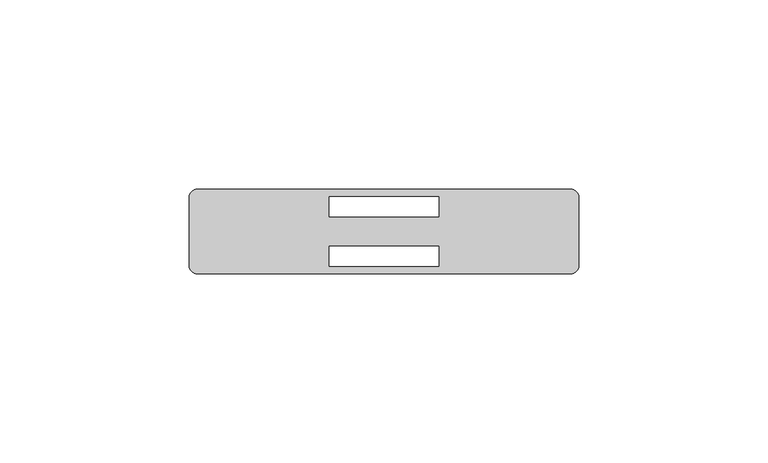
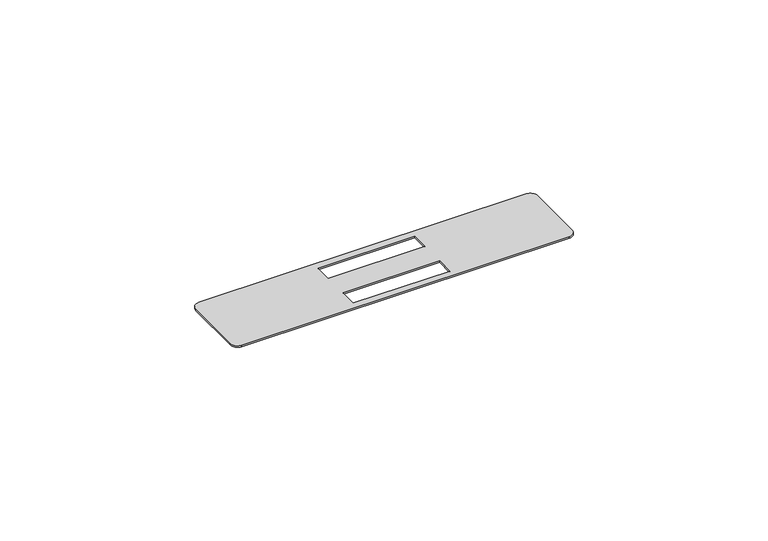
"""IFC4 building model written with IfcOpenShell, lengths in millimetres: proxy geometry."""

from ifc_helpers import new_model, si_unit, point, frame, frame_2d, origin, place, context, project, spatial, polyline, circle_curve, trimmed, segment, composite_curve, outline, extrude, source, transform, mapped, element, save


def generic_models_baaa5da6(model_context):
    return source(origin(), model_context, "Body", "SweptSolid", [
        extrude(outline(composite_curve([segment(trimmed(circle_curve(frame_2d((-56.0805232, -9.0296092)), 2.150457), [point((-53.9300662, -9.0296092))], [point((-56.0805232, -11.1800662))], False, "CARTESIAN"), True, "CONTINUOUS"), segment(polyline([(-56.0805232, -11.1800662), (-154.7796092, -11.1800662)]), True, "CONTINUOUS"), segment(trimmed(circle_curve(frame_2d((-154.7796092, -9.0296092)), 2.150457), [point((-154.7796092, -11.1800662))], [point((-156.9300662, -9.0296092))], False, "CARTESIAN"), True, "CONTINUOUS"), segment(polyline([(-156.9300662, -9.0296092), (-156.9300662, 9.0296092)]), True, "CONTINUOUS"), segment(trimmed(circle_curve(frame_2d((-154.7796092, 9.0296092)), 2.150457), [point((-156.9300662, 9.0296092))], [point((-154.7796092, 11.1800662))], False, "CARTESIAN"), True, "CONTINUOUS"), segment(polyline([(-154.7796092, 11.1800662), (-56.0805232, 11.1800662)]), True, "CONTINUOUS"), segment(trimmed(circle_curve(frame_2d((-56.0805232, 9.0296092)), 2.150457), [point((-56.0805232, 11.1800662))], [point((-53.9300662, 9.0296092))], False, "CARTESIAN"), True, "CONTINUOUS"), segment(polyline([(-53.9300662, 9.0296092), (-53.9300662, -9.0296092)]), True, "CONTINUOUS")], self_intersect=False), holes=[polyline([(-119.9300662, 9.15), (-119.9300662, 3.85), (-90.9300662, 3.85), (-90.9300662, 9.15), (-119.9300662, 9.15)]), polyline([(-119.9300662, -3.85), (-119.9300662, -9.15), (-90.9300662, -9.15), (-90.9300662, -3.85), (-119.9300662, -3.85)])]), frame((0.0, 0.0, 12.0), z_axis=(0.0, 0.0, 1.0), x_axis=(1.0, 0.0, 0.0)), (0.0, 0.0, 1.0), 0.5),
    ])


if __name__ == "__main__":
    model = new_model("IFC4")
    model_context = context("Model", 3, world=origin())
    ifc_project = project(units=[si_unit("LENGTHUNIT", "METRE", prefix="MILLI")], contexts=[model_context])
    site = spatial("IfcSite", under=ifc_project)
    building = spatial("IfcBuilding", under=site)
    placement = place(None, origin())
    generic_models_shape = generic_models_baaa5da6(model_context)
    element("IfcBuildingElementProxy", 1, Name="Generic Models", at=placement, inside=building, context=model_context, shape_type="MappedRepresentation", body=[
        mapped(generic_models_shape, transform((0.0, 0.0, 0.0), x_axis=(1.0, 0.0, 0.0), y_axis=(0.0, 1.0, 0.0), z_axis=(0.0, 0.0, 1.0))),
    ])
    save(model, "model.ifc")
